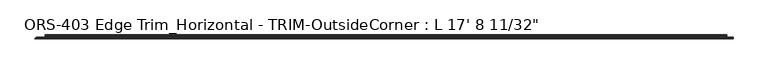
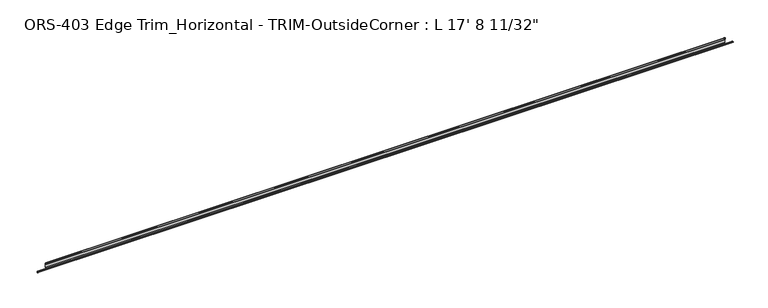
"""IFC4 building model written with IfcOpenShell, lengths in millimetres: proxy geometry."""

from ifc_helpers import new_model, si_unit, frame, origin, place, context, project, spatial, polyline, circle_curve, ellipse_curve, source, transform, mapped, element, save
from ifc_brep_helpers import plane_surface, cylinder_surface, revolved_surface, advanced_brep


def proxy_fbfb8916(model_context):
    return source(origin(), model_context, "Body", "AdvancedBrep", [
        advanced_brep(
        [(5393.53125, 1.2699659, 5.6896), (5393.53125, -1.9177341, 5.6896), (5393.53125, -5.0673341, 5.6896), (5393.53125, -8.8900341, 5.6896), (5393.53125, -8.8900341, 4.0500705), (5393.53125, -7.4768015, 4.0500705), (5393.53125, -6.695594, 4.3039002), (5393.53125, -5.9143865, 4.0500705), (5393.53125, -5.133179, 4.3039002), (5393.53125, -4.3519716, 4.0500705), (5393.53125, -3.5707641, 4.3039002), (5393.53125, -2.7895566, 4.0500705), (5393.53125, -2.0083491, 4.3039002), (5393.53125, -1.2271416, 4.0500705), (5393.53125, -0.4459342, 4.3039002), (5393.53125, -0.4459342, 1.3857004), (5393.53125, -1.2271416, 1.6395301), (5393.53125, -2.0083491, 1.3857004), (5393.53125, -2.7895566, 1.6395301), (5393.53125, -3.5707641, 1.3857004), (5393.53125, -4.3519716, 1.6395301), (5393.53125, -5.133179, 1.3857004), (5393.53125, -5.9143865, 1.6395301), (5393.53125, -6.695594, 1.3857004), (5393.53125, -7.4768015, 1.6395301), (5393.53125, -8.8900341, 1.6395301), (5393.53125, -8.8900341, 0.0), (5393.53125, 1.2699659, 0.0), (5342.73125, 14.292309, 33.4151698), (5342.73125, 19.6849659, 33.4151698), (79.3960974, 19.6849659, 33.4151698), (79.3960974, 14.292309, 33.4151698), (5342.73125, 12.4813352, 43.9912567), (79.3960974, 12.4813352, 43.9912567), (5342.73125, 10.1599659, 43.9251729), (79.3960974, 10.1599659, 43.9251729), (5342.73125, 10.1599659, 31.8403698), (79.3960974, 10.1599659, 31.8403698), (5342.73125, 16.8401659, 31.8403698), (79.3960974, 16.8401659, 31.8403698), (5342.73125, 18.1101659, 30.5703698), (79.3960974, 18.1101659, 30.5703698), (5342.73125, 18.1101659, 26.9486086), (79.3960974, 18.1101659, 26.9486086), (5342.73125, 18.5286393, 26.1600648), (79.3960974, 18.5286393, 26.1600648), (5342.73125, 18.5286393, 25.3762055), (79.3960974, 18.5286393, 25.3762055), (5342.73125, 18.1101659, 24.5876618), (79.3960974, 18.1101659, 24.5876618), (5342.73125, 18.1101659, 3.1623), (79.3960974, 18.1101659, 3.1623), (5342.73125, 16.5226659, 1.5748), (79.3960974, 16.5226659, 1.5748), (5342.73125, 2.8574659, 1.5748), (79.3960974, 2.8574659, 1.5748), (5342.73125, 1.2699659, 3.1623), (79.3960974, 1.2699659, 3.1623), (5342.73125, 1.2699659, 0.0), (79.3960974, 1.2699659, 0.0), (10.16, 1.2699659, 0.0), (10.16, 1.2699659, 5.6896), (6.9723, -1.9177341, 5.6896), (3.8227, -5.0673341, 5.6896), (0.0, -8.8900341, 5.6896), (0.0, -8.8900341, 4.0500705), (1.4132326, -7.4768015, 4.0500705), (2.1944401, -6.695594, 4.3039002), (2.9756475, -5.9143865, 4.0500705), (3.756855, -5.133179, 4.3039002), (4.5380625, -4.3519716, 4.0500705), (5.31927, -3.5707641, 4.3039002), (6.1004775, -2.7895566, 4.0500705), (6.8816849, -2.0083491, 4.3039002), (7.6628924, -1.2271416, 4.0500705), (8.4440999, -0.4459342, 4.3039002), (8.4440999, -0.4459342, 1.3857004), (7.6628924, -1.2271416, 1.6395301), (6.8816849, -2.0083491, 1.3857004), (6.1004775, -2.7895566, 1.6395301), (5.31927, -3.5707641, 1.3857004), (4.5380625, -4.3519716, 1.6395301), (3.756855, -5.133179, 1.3857004), (2.9756475, -5.9143865, 1.6395301), (2.1944401, -6.695594, 1.3857004), (1.4132326, -7.4768015, 1.6395301), (0.0, -8.8900341, 1.6395301), (0.0, -8.8900341, 0.0), (79.3960974, 19.6849659, 0.0), (5342.73125, 19.6849659, 0.0)],
        [
            (0, 1),
            (1, 2, circle_curve(frame((5393.53125, -3.4925341, 5.6896), z_axis=(1.0, 0.0, 0.0), x_axis=(0.0, 1.0, 0.0)), 1.5748)),
            (2, 3),
            (3, 4),
            (4, 5),
            (5, 6),
            (6, 7),
            (7, 8),
            (8, 9),
            (9, 10),
            (10, 11),
            (11, 12),
            (12, 13),
            (13, 14),
            (14, 15),
            (15, 16),
            (16, 17),
            (17, 18),
            (18, 19),
            (19, 20),
            (20, 21),
            (21, 22),
            (22, 23),
            (23, 24),
            (24, 25),
            (25, 26),
            (26, 27),
            (27, 0),
            (28, 29),
            (29, 30),
            (30, 31),
            (31, 28),
            (32, 28),
            (31, 33),
            (33, 32),
            (34, 32, circle_curve(frame((5342.73125, 11.3526424, 42.8344152), z_axis=(-1.0, 0.0, 0.0), x_axis=(0.0, 1.0, 0.0)), 1.6162393)),
            (33, 35, circle_curve(frame((79.3960974, 11.3526424, 42.8344152), z_axis=(1.0, 0.0, 0.0), x_axis=(0.0, 1.0, 0.0)), 1.6162393)),
            (35, 34),
            (36, 34),
            (35, 37),
            (37, 36),
            (38, 36),
            (37, 39),
            (39, 38),
            (40, 38, circle_curve(frame((5342.73125, 16.8401659, 30.5703698), z_axis=(1.0, 0.0, 0.0), x_axis=(0.0, 1.0, 0.0)), 1.27)),
            (39, 41, circle_curve(frame((79.3960974, 16.8401659, 30.5703698), z_axis=(-1.0, 0.0, 0.0), x_axis=(0.0, 1.0, 0.0)), 1.27)),
            (41, 40),
            (42, 40),
            (41, 43),
            (43, 42),
            (44, 42),
            (43, 45),
            (45, 44),
            (46, 44),
            (45, 47),
            (47, 46),
            (48, 46),
            (47, 49),
            (49, 48),
            (50, 48),
            (49, 51),
            (51, 50),
            (52, 50, circle_curve(frame((5342.73125, 16.5226659, 3.1623), z_axis=(1.0, 0.0, 0.0), x_axis=(0.0, 1.0, 0.0)), 1.5875)),
            (51, 53, circle_curve(frame((79.3960974, 16.5226659, 3.1623), z_axis=(-1.0, 0.0, 0.0), x_axis=(0.0, 1.0, 0.0)), 1.5875)),
            (53, 52),
            (54, 52),
            (53, 55),
            (55, 54),
            (56, 54, circle_curve(frame((5342.73125, 2.8574659, 3.1623), z_axis=(1.0, 0.0, 0.0), x_axis=(0.0, 1.0, 0.0)), 1.5875)),
            (55, 57, circle_curve(frame((79.3960974, 2.8574659, 3.1623), z_axis=(-1.0, 0.0, 0.0), x_axis=(0.0, 1.0, 0.0)), 1.5875)),
            (57, 56),
            (58, 56),
            (57, 59),
            (59, 60),
            (60, 61),
            (61, 0),
            (27, 58),
            (61, 62),
            (62, 1),
            (62, 63, ellipse_curve(frame((5.3975, -3.4925341, 5.6896), z_axis=(0.7071067811864715, -0.7071067811866236, 0.0), x_axis=(0.7071067811866234, 0.7071067811864715, 0.0)), 2.2271035, 1.5748)),
            (63, 2),
            (63, 64),
            (64, 3),
            (64, 65),
            (65, 4),
            (65, 66),
            (66, 5),
            (66, 67),
            (67, 6),
            (67, 68),
            (68, 7),
            (68, 69),
            (69, 8),
            (69, 70),
            (70, 9),
            (70, 71),
            (71, 10),
            (71, 72),
            (72, 11),
            (72, 73),
            (73, 12),
            (73, 74),
            (74, 13),
            (74, 75),
            (75, 14),
            (75, 76),
            (76, 15),
            (76, 77),
            (77, 16),
            (77, 78),
            (78, 17),
            (78, 79),
            (79, 18),
            (79, 80),
            (80, 19),
            (80, 81),
            (81, 20),
            (81, 82),
            (82, 21),
            (82, 83),
            (83, 22),
            (83, 84),
            (84, 23),
            (84, 85),
            (85, 24),
            (85, 86),
            (86, 25),
            (86, 87),
            (87, 26),
            (87, 60),
            (59, 88),
            (88, 89),
            (89, 58),
            (29, 89),
            (88, 30),
        ],
        [
            plane_surface(frame((5393.53125, 19.6849659, 33.4151698), z_axis=(1.0, 0.0, 0.0), x_axis=(0.0, -1.0, 0.0))),
            plane_surface(frame((5393.53125, 19.6849659, 33.4151698), z_axis=(0.0, 0.0, 1.0), x_axis=(-1.0, 0.0, 0.0))),
            plane_surface(frame((5393.53125, 14.292309, 33.4151698), z_axis=(0.0, 0.9856543593987945, 0.16877643140602303), x_axis=(-1.0, 0.0, 0.0))),
            cylinder_surface(frame((0.0, 11.3526424, 42.8344152), z_axis=(1.0, 0.0, 0.0), x_axis=(0.0, 1.0, 0.0)), 1.6162393),
            plane_surface(frame((5393.53125, 10.1599659, 43.9251729), z_axis=(0.0, -1.0, 0.0), x_axis=(-1.0, 0.0, 0.0))),
            plane_surface(frame((5393.53125, 10.1599659, 31.8403698), z_axis=(0.0, 1.2968080348435037e-12, -1.0), x_axis=(-1.0, 0.0, 0.0))),
            revolved_surface(polyline([(79.3960974, 18.1101659, 30.5703698), (5342.73125, 18.1101659, 30.5703698)]), (0.0, 16.8401659, 30.5703698), (-1.0, 0.0, 0.0)),
            plane_surface(frame((5393.53125, 18.1101659, 30.5703698), z_axis=(0.0, -1.0, 1.5953871677516757e-12), x_axis=(-1.0, 0.0, 0.0))),
            plane_surface(frame((5393.53125, 18.1101659, 26.9486086), z_axis=(0.0, -0.8833200708174842, -0.4687703622148), x_axis=(-1.0, 0.0, 0.0))),
            plane_surface(frame((5393.53125, 18.5286393, 26.1600648), z_axis=(0.0, -1.0, 0.0), x_axis=(-1.0, 0.0, 0.0))),
            plane_surface(frame((5393.53125, 18.5286393, 25.3762055), z_axis=(0.0, -0.8833200708184621, 0.4687703622129573), x_axis=(-1.0, 0.0, 0.0))),
            plane_surface(frame((5393.53125, 18.1101659, 24.5876618), z_axis=(0.0, -1.0, 0.0), x_axis=(-1.0, 0.0, 0.0))),
            revolved_surface(polyline([(79.3960974, 18.1101659, 3.1623), (5342.73125, 18.1101659, 3.1623)]), (0.0, 16.5226659, 3.1623), (-1.0, 0.0, 0.0)),
            plane_surface(frame((5393.53125, 16.5226659, 1.5748), z_axis=(0.0, 0.0, 1.0), x_axis=(-1.0, 0.0, 0.0))),
            revolved_surface(polyline([(79.3960974, 4.4449659, 3.1623), (5342.73125, 4.4449659, 3.1623)]), (0.0, 2.8574659, 3.1623), (-1.0, 0.0, 0.0)),
            plane_surface(frame((5393.53125, 1.2699659, 3.1623), z_axis=(0.0, 1.0, 0.0), x_axis=(-1.0, 0.0, 0.0))),
            plane_surface(frame((5393.53125, 1.2699659, 5.6896), z_axis=(0.0, 0.0, 1.0), x_axis=(-1.0, 0.0, 0.0))),
            cylinder_surface(frame((0.0, -3.4925341, 5.6896), z_axis=(1.0, 0.0, 0.0), x_axis=(0.0, 1.0, 0.0)), 1.5748),
            plane_surface(frame((5393.53125, -5.0673341, 5.6896), z_axis=(0.0, 0.0, 1.0), x_axis=(-1.0, 0.0, 0.0))),
            plane_surface(frame((5393.53125, -8.8900341, 5.6896), z_axis=(0.0, -1.0, 0.0), x_axis=(-1.0, 0.0, 0.0))),
            plane_surface(frame((5393.53125, -8.8900341, 4.0500705), z_axis=(0.0, 0.0, -1.0), x_axis=(-1.0, 0.0, 0.0))),
            plane_surface(frame((5393.53125, -7.4768015, 4.0500705), z_axis=(0.0, 0.3090169943749553, -0.9510565162951511), x_axis=(-1.0, 0.0, 0.0))),
            plane_surface(frame((5393.53125, -6.695594, 4.3039002), z_axis=(0.0, -0.3090169943749486, -0.9510565162951533), x_axis=(-1.0, 0.0, 0.0))),
            plane_surface(frame((5393.53125, -5.9143865, 4.0500705), z_axis=(0.0, 0.3090169943749555, -0.951056516295151), x_axis=(-1.0, 0.0, 0.0))),
            plane_surface(frame((5393.53125, -5.133179, 4.3039002), z_axis=(0.0, -0.3090169943749748, -0.9510565162951446), x_axis=(-1.0, 0.0, 0.0))),
            plane_surface(frame((5393.53125, -4.3519716, 4.0500705), z_axis=(0.0, 0.3090169943749981, -0.9510565162951371), x_axis=(-1.0, 0.0, 0.0))),
            plane_surface(frame((5393.53125, -3.5707641, 4.3039002), z_axis=(0.0, -0.30901699437494895, -0.9510565162951532), x_axis=(-1.0, 0.0, 0.0))),
            plane_surface(frame((5393.53125, -2.7895566, 4.0500705), z_axis=(0.0, 0.3090169943749561, -0.9510565162951508), x_axis=(-1.0, 0.0, 0.0))),
            plane_surface(frame((5393.53125, -2.0083491, 4.3039002), z_axis=(0.0, -0.30901699437494257, -0.9510565162951552), x_axis=(-1.0, 0.0, 0.0))),
            plane_surface(frame((5393.53125, -1.2271416, 4.0500705), z_axis=(0.0, 0.3090169943749565, -0.9510565162951506), x_axis=(-1.0, 0.0, 0.0))),
            plane_surface(frame((5393.53125, -0.4459342, 4.3039002), z_axis=(0.0, -1.0, 0.0), x_axis=(-1.0, 0.0, 0.0))),
            plane_surface(frame((5393.53125, -0.4459342, 1.3857004), z_axis=(0.0, 0.3090169943749626, 0.9510565162951486), x_axis=(-1.0, 0.0, 0.0))),
            plane_surface(frame((5393.53125, -1.2271416, 1.6395301), z_axis=(0.0, -0.30901699437493707, 0.951056516295157), x_axis=(-1.0, 0.0, 0.0))),
            plane_surface(frame((5393.53125, -2.0083491, 1.3857004), z_axis=(0.0, 0.3090169943749626, 0.9510565162951486), x_axis=(-1.0, 0.0, 0.0))),
            plane_surface(frame((5393.53125, -2.7895566, 1.6395301), z_axis=(0.0, -0.3090169943749421, 0.9510565162951553), x_axis=(-1.0, 0.0, 0.0))),
            plane_surface(frame((5393.53125, -3.5707641, 1.3857004), z_axis=(0.0, 0.309016994375005, 0.9510565162951349), x_axis=(-1.0, 0.0, 0.0))),
            plane_surface(frame((5393.53125, -4.3519716, 1.6395301), z_axis=(0.0, -0.30901699437496927, 0.9510565162951465), x_axis=(-1.0, 0.0, 0.0))),
            plane_surface(frame((5393.53125, -5.133179, 1.3857004), z_axis=(0.0, 0.30901699437496183, 0.951056516295149), x_axis=(-1.0, 0.0, 0.0))),
            plane_surface(frame((5393.53125, -5.9143865, 1.6395301), z_axis=(0.0, -0.30901699437494223, 0.9510565162951553), x_axis=(-1.0, 0.0, 0.0))),
            plane_surface(frame((5393.53125, -6.695594, 1.3857004), z_axis=(0.0, 0.30901699437496144, 0.9510565162951491), x_axis=(-1.0, 0.0, 0.0))),
            plane_surface(frame((5393.53125, -7.4768015, 1.6395301), z_axis=(0.0, 0.0, 1.0), x_axis=(-1.0, 0.0, 0.0))),
            plane_surface(frame((5393.53125, -8.8900341, 1.6395301), z_axis=(0.0, -1.0, 0.0), x_axis=(-1.0, 0.0, 0.0))),
            plane_surface(frame((5393.53125, -8.8900341, 0.0), z_axis=(0.0, 0.0, -1.0), x_axis=(-1.0, 0.0, 0.0))),
            plane_surface(frame((5393.53125, 19.6849659, 0.0), z_axis=(0.0, 1.0, 0.0), x_axis=(-1.0, 0.0, 0.0))),
            plane_surface(frame((79.3960974, 1.2699659, 47.4820436), z_axis=(-1.0, 0.0, 0.0), x_axis=(0.0, 0.0, -1.0))),
            plane_surface(frame((0.0, -8.8900341, 44.7828996), z_axis=(-0.7071067811864715, 0.7071067811866236, 0.0), x_axis=(0.0, 0.0, -1.0))),
            plane_surface(frame((5342.73125, 1.2699659, 44.7746636), z_axis=(1.0, 0.0, 0.0), x_axis=(0.0, 1.0, 0.0))),
        ],
        [
            (0, [[1, 2, 3, 4, 5, 6, 7, 8, 9, 10, 11, 12, 13, 14, 15, 16, 17, 18, 19, 20, 21, 22, 23, 24, 25, 26, 27, 28]]),
            (1, [[29, 30, 31, 32]]),
            (2, [[33, -32, 34, 35]]),
            (3, [[36, -35, 37, 38]]),
            (4, [[39, -38, 40, 41]]),
            (5, [[42, -41, 43, 44]]),
            (6, [[45, -44, 46, 47]]),
            (7, [[48, -47, 49, 50]]),
            (8, [[51, -50, 52, 53]]),
            (9, [[54, -53, 55, 56]]),
            (10, [[57, -56, 58, 59]]),
            (11, [[60, -59, 61, 62]]),
            (12, [[63, -62, 64, 65]]),
            (13, [[66, -65, 67, 68]]),
            (14, [[69, -68, 70, 71]]),
            (15, [[72, -71, 73, 74, 75, 76, -28, 77]]),
            (16, [[-1, -76, 78, 79]]),
            (17, [[-2, -79, 80, 81]]),
            (18, [[-3, -81, 82, 83]]),
            (19, [[-4, -83, 84, 85]]),
            (20, [[-5, -85, 86, 87]]),
            (21, [[-6, -87, 88, 89]]),
            (22, [[-7, -89, 90, 91]]),
            (23, [[-8, -91, 92, 93]]),
            (24, [[-9, -93, 94, 95]]),
            (25, [[-10, -95, 96, 97]]),
            (26, [[-11, -97, 98, 99]]),
            (27, [[-12, -99, 100, 101]]),
            (28, [[-13, -101, 102, 103]]),
            (29, [[-14, -103, 104, 105]]),
            (30, [[-15, -105, 106, 107]]),
            (31, [[-16, -107, 108, 109]]),
            (32, [[-17, -109, 110, 111]]),
            (33, [[-18, -111, 112, 113]]),
            (34, [[-19, -113, 114, 115]]),
            (35, [[-20, -115, 116, 117]]),
            (36, [[-21, -117, 118, 119]]),
            (37, [[-22, -119, 120, 121]]),
            (38, [[-23, -121, 122, 123]]),
            (39, [[-24, -123, 124, 125]]),
            (40, [[-25, -125, 126, 127]]),
            (41, [[-26, -127, 128, 129]]),
            (42, [[-129, 130, -74, 131, 132, 133, -77, -27]]),
            (43, [[134, -132, 135, -30]]),
            (44, [[-73, -70, -67, -64, -61, -58, -55, -52, -49, -46, -43, -40, -37, -34, -31, -135, -131]]),
            (45, [[-75, -130, -128, -126, -124, -122, -120, -118, -116, -114, -112, -110, -108, -106, -104, -102, -100, -98, -96, -94, -92, -90, -88, -86, -84, -82, -80, -78]]),
            (46, [[-72, -133, -134, -29, -33, -36, -39, -42, -45, -48, -51, -54, -57, -60, -63, -66, -69]]),
        ],
    ),
    ])


if __name__ == "__main__":
    model = new_model("IFC4")
    model_context = context("Model", 3, world=origin())
    ifc_project = project(units=[si_unit("LENGTHUNIT", "METRE", prefix="MILLI")], contexts=[model_context])
    site = spatial("IfcSite", under=ifc_project)
    building = spatial("IfcBuilding", under=site)
    placement = place(None, origin())
    proxy_shape = proxy_fbfb8916(model_context)
    element("IfcBuildingElementProxy", 1, Name="ORS-403 Edge Trim_Horizontal - TRIM-OutsideCorner : L 17' 8 11/32\"", ObjectType="ORS-403 Edge Trim_Horizontal - TRIM-OutsideCorner : L 17' 8 11/32\"", at=placement, inside=building, context=model_context, shape_type="MappedRepresentation", body=[
        mapped(proxy_shape, transform((0.0, 0.0, 0.0), x_axis=(1.0, 0.0, 0.0), y_axis=(0.0, 1.0, 0.0), z_axis=(0.0, 0.0, 1.0))),
    ])
    save(model, "model.ifc")
